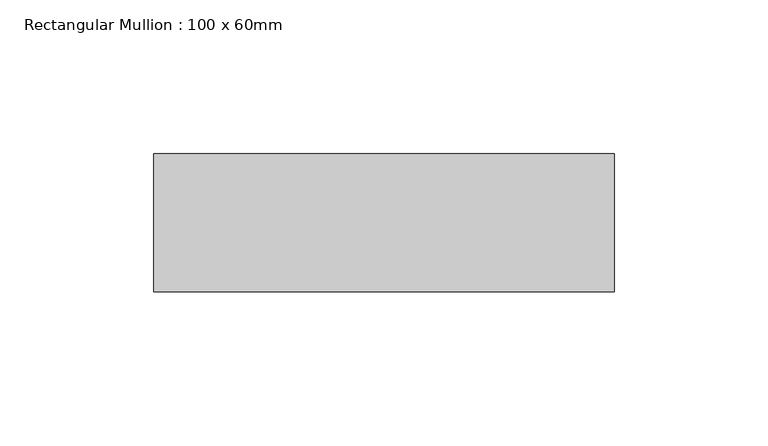
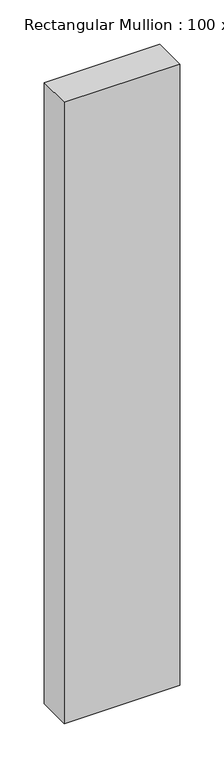
"""IFC4 building model written with IfcOpenShell, lengths in millimetres: member geometry, Rectangular Mullion : 100 x 60mm."""

from ifc_helpers import new_model, si_unit, frame, origin, place, context, project, spatial, polyline, outline, extrude, source, transform, mapped, element, save


def rectangular_mullion_100_x_60mm_def00e91(model_context):
    return source(origin(), model_context, "Body", "SweptSolid", [
        extrude(outline(polyline([(0.0, 30.0), (0.0, -15.0), (-150.0, -15.0), (-150.0, 30.0), (0.0, 30.0)])), frame((0.0, 0.0, -854.8062955), z_axis=(0.0, 0.0, 1.0), x_axis=(1.0, 0.0, 0.0)), (0.0, 0.0, 1.0), 854.8062955),
    ])


if __name__ == "__main__":
    model = new_model("IFC4")
    model_context = context("Model", 3, world=origin())
    ifc_project = project(units=[si_unit("LENGTHUNIT", "METRE", prefix="MILLI")], contexts=[model_context])
    site = spatial("IfcSite", under=ifc_project)
    building = spatial("IfcBuilding", under=site)
    placement = place(None, origin())
    rectangular_mullion_100_x_60mm_shape = rectangular_mullion_100_x_60mm_def00e91(model_context)
    element("IfcMember", 1, ObjectType="Rectangular Mullion : 100 x 60mm", at=placement, inside=building, context=model_context, shape_type="MappedRepresentation", body=[
        mapped(rectangular_mullion_100_x_60mm_shape, transform((0.0, 0.0, 0.0), x_axis=(1.0, 0.0, 0.0), y_axis=(0.0, 1.0, 0.0), z_axis=(0.0, 0.0, 1.0))),
    ])
    save(model, "model.ifc")
